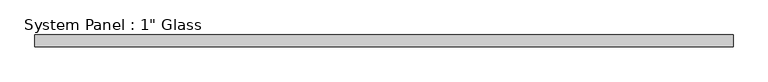
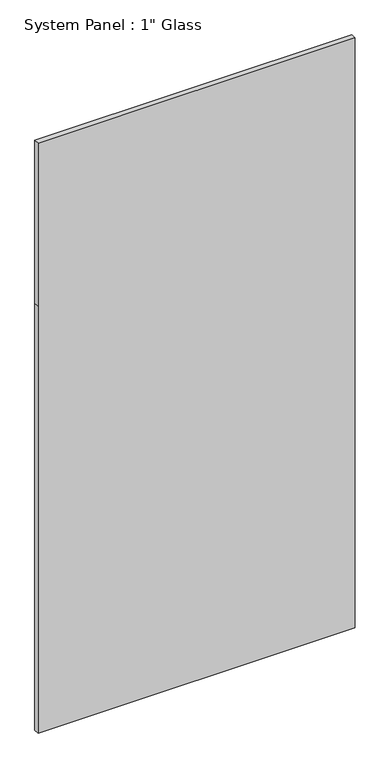
"""IFC4 building model written with IfcOpenShell, lengths in millimetres: plate geometry."""

from ifc_helpers import new_model, si_unit, frame, origin, place, context, project, spatial, polyline, outline, extrude, source, transform, mapped, element, save


def plate_198c4983(model_context):
    return source(origin(), model_context, "Body", "SweptSolid", [
        extrude(outline(polyline([(0.0, -752.9091185), (0.0, 752.9091185), (2139.95, 752.9091185), (2959.1, 752.9091185), (2959.1, -752.9091185), (2139.95, -752.9091185), (0.0, -752.9091185)])), frame((0.0, -12.7, 0.0), z_axis=(0.0, 1.0, 0.0), x_axis=(0.0, 0.0, 1.0)), (0.0, 0.0, 1.0), 25.4),
    ])


if __name__ == "__main__":
    model = new_model("IFC4")
    model_context = context("Model", 3, world=origin())
    ifc_project = project(units=[si_unit("LENGTHUNIT", "METRE", prefix="MILLI")], contexts=[model_context])
    site = spatial("IfcSite", under=ifc_project)
    building = spatial("IfcBuilding", under=site)
    placement = place(None, origin())
    plate_shape = plate_198c4983(model_context)
    element("IfcPlate", 1, ObjectType="System Panel : 1\" Glass", at=placement, inside=building, context=model_context, shape_type="MappedRepresentation", body=[
        mapped(plate_shape, transform((0.0, 0.0, 0.0), x_axis=(1.0, 0.0, 0.0), y_axis=(0.0, 1.0, 0.0), z_axis=(0.0, 0.0, 1.0))),
    ])
    save(model, "model.ifc")
